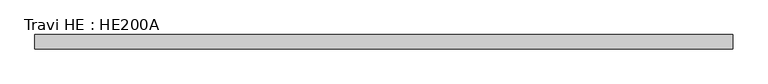
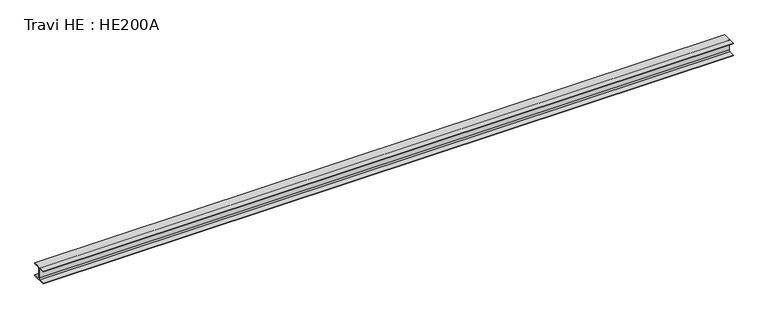
"""IFC4 building model written with IfcOpenShell, lengths in millimetres: beam geometry, Travi HE : HE200A."""

import ifcopenshell
import ifcopenshell.guid

model = None  # the IFC model being written
_history = None  # IfcOwnerHistory: only IFC2X3 demands one
_inside = {}  # id of a spatial element -> (the spatial element, [elements in it])
_under = {}  # id of a project, library or spatial element -> (it, [spatial elements below it])
_declared = {}  # id of a project -> (the project, [libraries it declares])
_typed = {}  # id of a type object -> (the type object, [elements of that type])
_made_of = {}  # id of a material, layer set ... -> (it, [elements and type objects made of it])


def new_model(schema):
    """Start an empty IFC model of exactly this schema.

    Asked for "IFC4X3", IfcOpenShell would pick the latest addendum, in which some entities
    have other attributes; the version numbers below select the first issue.
    IFC2X3 requires an IfcOwnerHistory on every rooted entity: one is made here for all.
    """
    global model, _history
    if schema == "IFC4X3":
        model = ifcopenshell.file(schema_version=(4, 3, 0, 0))
    else:
        model = ifcopenshell.file(schema=schema)
    _inside.clear()
    _under.clear()
    _declared.clear()
    _typed.clear()
    _made_of.clear()
    _history = None
    if model.schema == "IFC2X3":
        org = make("IfcOrganization", Name="unknown")
        user = make(
            "IfcPersonAndOrganization",
            ThePerson=make("IfcPerson", FamilyName="unknown"),
            TheOrganization=org,
        )
        app = make(
            "IfcApplication",
            ApplicationDeveloper=org,
            Version="unknown",
            ApplicationFullName="unknown",
            ApplicationIdentifier="unknown",
        )
        _history = make(
            "IfcOwnerHistory",
            OwningUser=user,
            OwningApplication=app,
            ChangeAction="ADDED",
            CreationDate=0,
        )
    return model


def make(cls, **values):
    """One entity of the class cls with the attributes given. An attribute that is None is left unset."""
    return model.create_entity(
        cls, **{name: value for name, value in values.items() if value is not None}
    )


def rooted(cls, **values):
    """An entity with a GlobalId (a new one), such as an element, a storey or a relation."""
    return make(cls, GlobalId=ifcopenshell.guid.new(), OwnerHistory=_history, **values)


def si_unit(unit_type, name, prefix=None):
    """IfcSIUnit, for example si_unit("LENGTHUNIT", "METRE", prefix="MILLI")."""
    return make("IfcSIUnit", UnitType=unit_type, Prefix=prefix, Name=name)


def assignment(units):
    """IfcUnitAssignment: the units of a project."""
    return None if units is None else make("IfcUnitAssignment", Units=units)


def point(xyz):
    """IfcCartesianPoint."""
    return None if xyz is None else make("IfcCartesianPoint", Coordinates=xyz)


def direction(xyz):
    """IfcDirection."""
    return None if xyz is None else make("IfcDirection", DirectionRatios=xyz)


def frame(location, z_axis=None, x_axis=None):
    """IfcAxis2Placement3D, a coordinate frame: its origin and axes. An axis left out is left unset."""
    return make(
        "IfcAxis2Placement3D",
        Location=point(location),
        Axis=direction(z_axis),
        RefDirection=direction(x_axis),
    )


def frame_2d(location, x_axis=None):
    """IfcAxis2Placement2D, a coordinate frame in the plane: its origin and x axis."""
    return make(
        "IfcAxis2Placement2D", Location=point(location), RefDirection=direction(x_axis)
    )


def origin():
    """The frame at (0, 0, 0) with its axes left unset."""
    return frame((0.0, 0.0, 0.0))


def place(relative_to, where):
    """IfcLocalPlacement: puts the frame where relative to a parent placement (None: the world)."""
    return make(
        "IfcLocalPlacement", PlacementRelTo=relative_to, RelativePlacement=where
    )


def context(
    kind, dimensions, precision=None, world=None, true_north=None, identifier=None
):
    """IfcGeometricRepresentationContext, for example the 3D "Model" context."""
    return make(
        "IfcGeometricRepresentationContext",
        ContextIdentifier=identifier,
        ContextType=kind,
        CoordinateSpaceDimension=dimensions,
        Precision=precision,
        WorldCoordinateSystem=world,
        TrueNorth=true_north,
    )


def project(units=None, contexts=None):
    """IfcProject with its units and contexts."""
    return rooted(
        "IfcProject",
        Name="project",
        RepresentationContexts=contexts,
        UnitsInContext=assignment(units),
    )


def spatial(cls, under=None, at=None, **own):
    """A site, building, storey or space (cls), placed at a placement, below another one or the project."""
    s = rooted(cls, ObjectPlacement=at, **own)
    if under is not None:
        _under.setdefault(under.id(), (under, []))[1].append(s)
    return s


def polyline(points):
    """IfcPolyline through the points."""
    return make("IfcPolyline", Points=[point(p) for p in points])


def circle_curve(where, radius):
    """IfcCircle in the frame where."""
    return make("IfcCircle", Position=where, Radius=radius)


def trimmed(basis, trim1, trim2, sense, master):
    """IfcTrimmedCurve: the piece of a basis curve between two trims."""
    return make(
        "IfcTrimmedCurve",
        BasisCurve=basis,
        Trim1=trim1,
        Trim2=trim2,
        SenseAgreement=sense,
        MasterRepresentation=master,
    )


def segment(curve, same_sense, transition):
    """IfcCompositeCurveSegment."""
    return make(
        "IfcCompositeCurveSegment",
        Transition=transition,
        SameSense=same_sense,
        ParentCurve=curve,
    )


def composite_curve(segments, self_intersect=None):
    """IfcCompositeCurve: segments joined end to end."""
    return make("IfcCompositeCurve", Segments=segments, SelfIntersect=self_intersect)


def outline(outer, holes=None, kind="AREA"):
    """IfcArbitraryClosedProfileDef: a profile drawn as a closed curve; with holes, ...WithVoids."""
    if holes is None:
        return make("IfcArbitraryClosedProfileDef", ProfileType=kind, OuterCurve=outer)
    return make(
        "IfcArbitraryProfileDefWithVoids",
        ProfileType=kind,
        OuterCurve=outer,
        InnerCurves=holes,
    )


def extrude(swept, where, along, depth):
    """IfcExtrudedAreaSolid: the profile swept, set in the frame where, extruded along a direction by depth."""
    return make(
        "IfcExtrudedAreaSolid",
        SweptArea=swept,
        Position=where,
        ExtrudedDirection=direction(along),
        Depth=depth,
    )


def shape(context_of_items, identifier, shape_type, items):
    """IfcShapeRepresentation: the items that make up one representation, for example the "Body"."""
    return make(
        "IfcShapeRepresentation",
        ContextOfItems=context_of_items,
        RepresentationIdentifier=identifier,
        RepresentationType=shape_type,
        Items=items,
    )


def source(mapping_origin, context_of_items, identifier, shape_type, items):
    """IfcRepresentationMap: a shape defined once, which mapped items show again and again."""
    return make(
        "IfcRepresentationMap",
        MappingOrigin=mapping_origin,
        MappedRepresentation=shape(context_of_items, identifier, shape_type, items),
    )


def transform(
    local_origin,
    x_axis=None,
    y_axis=None,
    z_axis=None,
    scale=None,
    scale2=None,
    scale3=None,
    uniform=True,
):
    """IfcCartesianTransformationOperator3D, or its non-uniform kind. x_axis, y_axis, z_axis: its Axis1, 2, 3."""
    if uniform:
        return make(
            "IfcCartesianTransformationOperator3D",
            Axis1=direction(x_axis),
            Axis2=direction(y_axis),
            LocalOrigin=point(local_origin),
            Scale=scale,
            Axis3=direction(z_axis),
        )
    return make(
        "IfcCartesianTransformationOperator3DnonUniform",
        Axis1=direction(x_axis),
        Axis2=direction(y_axis),
        LocalOrigin=point(local_origin),
        Scale=scale,
        Axis3=direction(z_axis),
        Scale2=scale2,
        Scale3=scale3,
    )


def mapped(mapping_source, mapping_target):
    """IfcMappedItem: shows the shape of a source again, moved by a transform."""
    return make(
        "IfcMappedItem", MappingSource=mapping_source, MappingTarget=mapping_target
    )


def made_of(thing, what):
    """Note that an element or type object is made of a material, layer set ...; save() writes the relation."""
    if what is not None:
        _made_of.setdefault(what.id(), (what, []))[1].append(thing)
    return thing


def element(
    cls,
    number,
    at=None,
    inside=None,
    cuts=None,
    type_object=None,
    material=None,
    context=None,
    identifier="Body",
    shape_type=None,
    held_by="IfcProductDefinitionShape",
    body=None,
    shapes=None,
    **own,
):
    """One element of the class cls, such as IfcWall. Its Tag is "e" and its number.

    at: its placement. inside: the storey or other place that contains it. cuts: it is an
    opening in that element (IfcRelVoidsElement). A single representation is given by context,
    identifier, shape_type and body (its items); several are given by shapes. held_by: the class
    of the entity that holds the representations. save() writes the other relations.
    """
    e = rooted(cls, Tag="e%d" % number, ObjectPlacement=at, **own)
    if body is not None:
        shapes = [shape(context, identifier, shape_type, body)]
    if shapes is not None:
        e.Representation = make(held_by, Representations=shapes)
    if inside is not None:
        _inside.setdefault(inside.id(), (inside, []))[1].append(e)
    if cuts is not None:
        rooted(
            "IfcRelVoidsElement", RelatingBuildingElement=cuts, RelatedOpeningElement=e
        )
    if type_object is not None:
        _typed.setdefault(type_object.id(), (type_object, []))[1].append(e)
    return made_of(e, material)


def aggregate(whole, parts):
    """IfcRelAggregates: a whole, such as a stair, and the parts it consists of."""
    return rooted("IfcRelAggregates", RelatingObject=whole, RelatedObjects=parts)


def save(model, path):
    """Write the relations noted so far, then the file.

    IfcRelAggregates (storeys below a building ...), IfcRelContainedInSpatialStructure (elements
    in a storey), IfcRelDefinesByType, IfcRelAssociatesMaterial and IfcRelDeclares: one each for
    every whole, place, type object, material and project.
    """
    for whole, parts in _under.values():
        aggregate(whole, parts)
    for where, things in _inside.values():
        rooted(
            "IfcRelContainedInSpatialStructure",
            RelatedElements=things,
            RelatingStructure=where,
        )
    for kind, things in _typed.values():
        rooted("IfcRelDefinesByType", RelatedObjects=things, RelatingType=kind)
    for what, things in _made_of.values():
        rooted("IfcRelAssociatesMaterial", RelatedObjects=things, RelatingMaterial=what)
    for by, libraries in _declared.values():
        rooted("IfcRelDeclares", RelatingContext=by, RelatedDefinitions=libraries)
    model.write(path)


def travi_he_he200a_5fff92a0(model_context):
    return source(origin(), model_context, "Body", "SweptSolid", [
        extrude(outline(composite_curve([segment(polyline([(100.0, -85.0), (100.0, -95.0), (-100.0, -95.0), (-100.0, -85.0), (-21.25, -85.0)]), True, "CONTINUOUS"), segment(trimmed(circle_curve(frame_2d((-21.25, -67.0)), 18.0), [point((-21.25, -85.0))], [point((-3.25, -67.0))], True, "CARTESIAN"), True, "CONTINUOUS"), segment(polyline([(-3.25, -67.0), (-3.25, 67.0)]), True, "CONTINUOUS"), segment(trimmed(circle_curve(frame_2d((-21.25, 67.0)), 18.0), [point((-3.25, 67.0))], [point((-21.25, 85.0))], True, "CARTESIAN"), True, "CONTINUOUS"), segment(polyline([(-21.25, 85.0), (-100.0, 85.0), (-100.0, 95.0), (100.0, 95.0), (100.0, 85.0), (21.25, 85.0)]), True, "CONTINUOUS"), segment(trimmed(circle_curve(frame_2d((21.25, 67.0)), 18.0), [point((21.25, 85.0))], [point((3.25, 67.0))], True, "CARTESIAN"), True, "CONTINUOUS"), segment(polyline([(3.25, 67.0), (3.25, -67.0)]), True, "CONTINUOUS"), segment(trimmed(circle_curve(frame_2d((21.25, -67.0)), 18.0), [point((3.25, -67.0))], [point((21.25, -85.0))], True, "CARTESIAN"), True, "CONTINUOUS"), segment(polyline([(21.25, -85.0), (100.0, -85.0)]), True, "CONTINUOUS")], self_intersect=False)), frame((-4878.5, 0.0, 0.0), z_axis=(1.0, 0.0, 0.0), x_axis=(0.0, 1.0, 0.0)), (0.0, 0.0, 1.0), 9757.0),
    ])


if __name__ == "__main__":
    model = new_model("IFC4")
    model_context = context("Model", 3, world=origin())
    ifc_project = project(units=[si_unit("LENGTHUNIT", "METRE", prefix="MILLI")], contexts=[model_context])
    site = spatial("IfcSite", under=ifc_project)
    building = spatial("IfcBuilding", under=site)
    placement = place(None, origin())
    travi_he_he200a_shape = travi_he_he200a_5fff92a0(model_context)
    element("IfcBeam", 1, ObjectType="Travi HE : HE200A", at=placement, inside=building, context=model_context, shape_type="MappedRepresentation", body=[
        mapped(travi_he_he200a_shape, transform((0.0, 0.0, 0.0), x_axis=(1.0, 0.0, 0.0), y_axis=(0.0, 1.0, 0.0), z_axis=(0.0, 0.0, 1.0))),
    ])
    save(model, "model.ifc")
